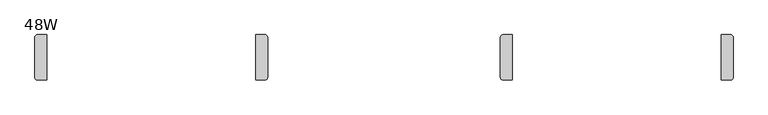
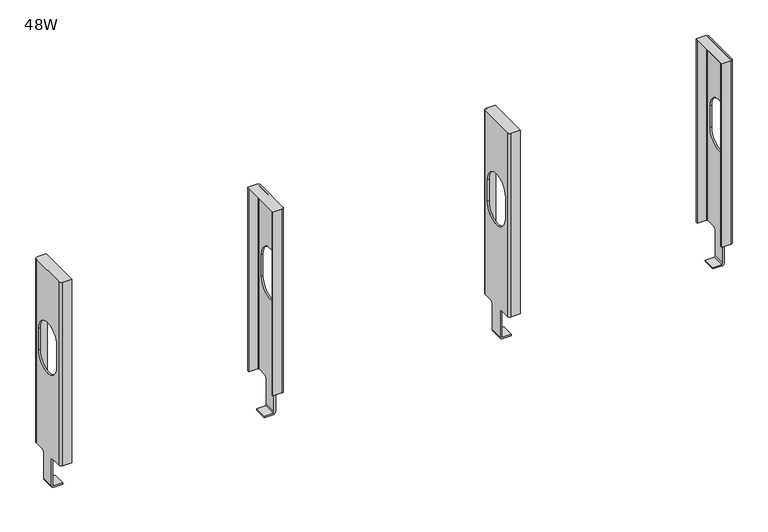
"""IFC4 building model written with IfcOpenShell, lengths in millimetres: furniture geometry, 48W."""

from ifc_helpers import new_model, si_unit, frame, origin, place, context, project, spatial, polyline, circle_curve, source, transform, mapped, element, save
from ifc_brep_helpers import plane_surface, cylinder_surface, revolved_surface, advanced_brep


def furniture_48w_77372cc6(model_context):
    return source(origin(), model_context, "Body", "AdvancedBrep", [
        advanced_brep(
        [(816.2293333, -27.8130007, 112.7505942), (816.2293333, -27.8130007, 110.2105966), (801.243334, -27.8130007, 110.2105966), (797.1793333, -27.8130007, 114.2746018), (797.1793333, -27.8130007, 160.9597973), (799.7193309, -27.8130007, 160.9597973), (799.7193309, -27.8130007, 114.2746018), (801.243334, -27.8130007, 112.7505942), (816.2293333, -49.6569981, 112.7505942), (801.243334, -49.6569981, 112.7505942), (799.7193309, -49.6569981, 114.2746018), (799.7193309, -49.6569981, 160.9597973), (797.1793333, -49.6569981, 160.9597973), (797.1793333, -49.6569981, 114.2746018), (801.243334, -49.6569981, 110.2105966), (816.2293333, -49.6569981, 110.2105966), (799.7193309, -24.7650014, 164.0077944), (799.7193309, -6.2864997, 164.0077944), (799.7193309, -6.2864985, 487.9473667), (799.7193309, -71.1835002, 487.9473667), (799.7193309, -71.1835002, 164.0077944), (799.7193309, -52.7049997, 164.0077944), (799.7193309, -64.1349979, 370.457309), (799.7193309, -13.3349998, 370.457309), (799.7193309, -13.3349998, 332.4494726), (799.7193309, -64.1349979, 332.4494726), (797.1793333, -52.7049997, 164.0077944), (797.1793333, -71.1835002, 164.0077944), (797.1793333, -71.1835002, 488.2388031), (797.1793333, -6.2864997, 488.2388031), (797.1793333, -6.2864985, 164.0077944), (797.1793333, -24.7650014, 164.0077944), (797.1793333, -64.1349979, 370.457309), (797.1793333, -64.1349979, 332.4494726), (797.1793333, -13.3349998, 332.4494726), (797.1793333, -13.3349998, 370.457309), (801.243334, -2.2224979, 164.0077944), (816.2293333, -2.2224979, 164.0077944), (816.2293333, -4.7624955, 164.0077944), (801.243334, -4.7624955, 164.0077944), (801.243334, -75.2475009, 488.2388031), (816.2293333, -75.2475009, 488.2388031), (816.2293333, -2.2224979, 488.2388031), (801.243334, -2.2224979, 488.2388031), (801.243334, -72.7075033, 164.0077944), (816.2293333, -72.7075033, 164.0077944), (816.2293333, -75.2475009, 164.0077944), (801.243334, -75.2475009, 164.0077944), (801.243334, -72.7075033, 487.9473667), (816.2293333, -72.7075033, 487.9473667), (816.2293333, -4.7624955, 487.9473667), (801.243334, -4.7624955, 487.9473667)],
        [
            (0, 1),
            (1, 2),
            (2, 3, circle_curve(frame((801.243334, -27.8130007, 114.2745973), z_axis=(0.0, 1.0, 0.0), x_axis=(1.0, 0.0, 0.0)), 4.0640007)),
            (3, 4),
            (4, 5),
            (5, 6),
            (6, 7),
            (7, 0),
            (8, 9),
            (9, 10),
            (10, 11),
            (11, 12),
            (12, 13),
            (13, 14, circle_curve(frame((801.243334, -49.6569981, 114.2745973), z_axis=(0.0, -1.0, 0.0), x_axis=(1.0, 0.0, 0.0)), 4.0640007)),
            (14, 15),
            (15, 8),
            (7, 9),
            (8, 0),
            (6, 10),
            (1, 15),
            (14, 2),
            (5, 16),
            (16, 17),
            (17, 18),
            (18, 19),
            (19, 20),
            (20, 21),
            (21, 11),
            (22, 23, circle_curve(frame((799.7193309, -38.7349988, 370.457309), z_axis=(-1.0, 0.0, 0.0), x_axis=(0.0, -1.0, 0.0)), 25.3999991)),
            (23, 24),
            (24, 25, circle_curve(frame((799.7193309, -38.7349988, 332.4494726), z_axis=(-1.0, 0.0, 0.0), x_axis=(0.0, -1.0, 0.0)), 25.3999991)),
            (25, 22),
            (12, 26),
            (26, 27),
            (27, 28),
            (28, 29),
            (29, 30),
            (30, 31),
            (31, 4),
            (3, 13),
            (32, 33),
            (33, 34, circle_curve(frame((797.1793333, -38.7349988, 332.4494726), z_axis=(1.0, 0.0, 0.0), x_axis=(0.0, -1.0, 0.0)), 25.3999991)),
            (34, 35),
            (35, 32, circle_curve(frame((797.1793333, -38.7349988, 370.457309), z_axis=(1.0, 0.0, 0.0), x_axis=(0.0, -1.0, 0.0)), 25.3999991)),
            (31, 16),
            (30, 36, circle_curve(frame((801.243334, -6.2864985, 164.0077944), z_axis=(0.0, 0.0, -1.0), x_axis=(1.0, 0.0, 0.0)), 4.0640007)),
            (36, 37),
            (37, 38),
            (38, 39),
            (39, 17),
            (28, 40, circle_curve(frame((801.243334, -71.1835002, 488.2388031), z_axis=(0.0, 0.0, 1.0), x_axis=(1.0, 0.0, 0.0)), 4.0640007)),
            (40, 41),
            (41, 42),
            (42, 43),
            (43, 29, circle_curve(frame((801.243334, -6.2864985, 488.2388031), z_axis=(0.0, 0.0, 1.0), x_axis=(1.0, 0.0, 0.0)), 4.0640007)),
            (20, 44),
            (44, 45),
            (45, 46),
            (46, 47),
            (47, 27, circle_curve(frame((801.243334, -71.1835002, 164.0077944), z_axis=(0.0, 0.0, -1.0), x_axis=(1.0, 0.0, 0.0)), 4.0640007)),
            (26, 21),
            (23, 35),
            (34, 24),
            (25, 33),
            (32, 22),
            (44, 48),
            (48, 49),
            (49, 45),
            (19, 48),
            (46, 41),
            (40, 47),
            (49, 50),
            (50, 38),
            (37, 42),
            (50, 51),
            (51, 39),
            (51, 18),
            (36, 43),
        ],
        [
            plane_surface(frame((801.243334, -27.8130007, 112.7505942), z_axis=(0.0, 1.0, 0.0), x_axis=(1.0, 0.0, 0.0))),
            plane_surface(frame((801.243334, -49.6569981, 112.7505942), z_axis=(0.0, -1.0, 0.0), x_axis=(-1.0, 0.0, 0.0))),
            plane_surface(frame((816.2293333, -49.6569981, 112.7505942), z_axis=(0.0, 0.0, 1.0), x_axis=(0.0, 1.0, 0.0))),
            plane_surface(frame((801.243334, -49.6569981, 112.7505942), z_axis=(0.7071078348532698, 0.0, 0.7071057275182553), x_axis=(0.0, 1.0, 0.0))),
            plane_surface(frame((801.243334, -49.6569981, 110.2105966), z_axis=(0.0, 0.0, -1.0), x_axis=(0.0, 1.0, 0.0))),
            plane_surface(frame((816.2293333, -49.6569981, 110.2105966), z_axis=(1.0, 0.0, 0.0), x_axis=(0.0, 1.0, 0.0))),
            plane_surface(frame((799.7193309, -27.8130007, 114.2746018), z_axis=(1.0, 0.0, 0.0), x_axis=(0.0, 1.0, 0.0))),
            plane_surface(frame((797.1793333, -27.8130007, 114.2746018), z_axis=(-1.0, 0.0, 0.0), x_axis=(0.0, -1.0, 0.0))),
            plane_surface(frame((799.7193309, -27.8130007, 160.9597973), z_axis=(0.0, 0.7071065177685422, -0.7071070446044547), x_axis=(-1.0, 0.0, 0.0))),
            plane_surface(frame((799.7193309, -24.7650014, 164.0077944), z_axis=(0.0, 0.0, -1.0), x_axis=(-1.0, 0.0, 0.0))),
            plane_surface(frame((799.7193309, -6.2864997, 488.2388031), z_axis=(0.0, 0.0, 1.0), x_axis=(-1.0, 0.0, 0.0))),
            plane_surface(frame((799.7193309, -71.1835002, 164.0077944), z_axis=(0.0, 0.0, -1.0), x_axis=(-1.0, 0.0, 0.0))),
            plane_surface(frame((799.7193309, -52.7049997, 164.0077944), z_axis=(0.0, -0.707106254350635, -0.7071073080220677), x_axis=(-1.0, 0.0, 0.0))),
            plane_surface(frame((799.7193309, -13.3349998, 370.457309), z_axis=(0.0, -1.0, 0.0), x_axis=(-1.0, 0.0, 0.0))),
            plane_surface(frame((799.7193309, -64.1349979, 332.4494726), z_axis=(0.0, 1.0, 0.0), x_axis=(-1.0, 0.0, 0.0))),
            plane_surface(frame((816.2293333, -72.7075033, 488.2388031), z_axis=(0.0, 1.0, 0.0), x_axis=(0.0, 0.0, -1.0))),
            plane_surface(frame((801.243334, -72.7075033, 488.2388031), z_axis=(0.7071067811865476, 0.7071067811865476, 0.0), x_axis=(0.0, 0.0, -1.0))),
            plane_surface(frame((801.243334, -75.2475009, 488.2388031), z_axis=(0.0, -1.0, 0.0), x_axis=(0.0, 0.0, -1.0))),
            plane_surface(frame((816.2293333, -75.2475009, 488.2388031), z_axis=(1.0, 0.0, 0.0), x_axis=(0.0, 0.0, -1.0))),
            plane_surface(frame((801.243334, -4.7624955, 488.2388031), z_axis=(0.0, -1.0, 0.0), x_axis=(0.0, 0.0, -1.0))),
            plane_surface(frame((799.7193309, -6.2864985, 488.2388031), z_axis=(0.7071067811865422, -0.7071067811865528, 0.0), x_axis=(0.0, 0.0, -1.0))),
            plane_surface(frame((816.2293333, -2.2224979, 488.2388031), z_axis=(0.0, 1.0, 0.0), x_axis=(0.0, 0.0, -1.0))),
            plane_surface(frame((816.2293333, -72.7075033, 487.9473667), z_axis=(0.0, 0.0, -1.0), x_axis=(-1.0, 0.0, 0.0))),
            cylinder_surface(frame((801.243334, -71.1835002, 164.0077944), z_axis=(0.0, 0.0, 1.0), x_axis=(1.0, 0.0, 0.0)), 4.0640007),
            cylinder_surface(frame((801.243334, -6.2864985, 164.0077944), z_axis=(0.0, 0.0, 1.0), x_axis=(1.0, 0.0, 0.0)), 4.0640007),
            revolved_surface(polyline([(797.1793333, -64.1349979, 370.457309), (799.7193309, -64.1349979, 370.457309)]), (797.1793333, -38.7349988, 370.457309), (-1.0, 0.0, 0.0)),
            revolved_surface(polyline([(797.1793333, -64.1349979, 332.4494726), (799.7193309, -64.1349979, 332.4494726)]), (797.1793333, -38.7349988, 332.4494726), (-1.0, 0.0, 0.0)),
            cylinder_surface(frame((801.243334, -27.8130007, 114.2745973), z_axis=(0.0, -1.0, 0.0), x_axis=(1.0, 0.0, 0.0)), 4.0640007),
        ],
        [
            (0, [[1, 2, 3, 4, 5, 6, 7, 8]]),
            (1, [[9, 10, 11, 12, 13, 14, 15, 16]]),
            (2, [[-8, 17, -9, 18]]),
            (3, [[-7, 19, -10, -17]]),
            (4, [[-2, 20, -15, 21]]),
            (5, [[-1, -18, -16, -20]]),
            (6, [[-6, 22, 23, 24, 25, 26, 27, 28, -11, -19], [29, 30, 31, 32]]),
            (7, [[-13, 33, 34, 35, 36, 37, 38, 39, -4, 40], [41, 42, 43, 44]]),
            (8, [[-22, -5, -39, 45]]),
            (9, [[-23, -45, -38, 46, 47, 48, 49, 50]]),
            (10, [[-36, 51, 52, 53, 54, 55]]),
            (11, [[-27, 56, 57, 58, 59, 60, -34, 61]]),
            (12, [[-28, -61, -33, -12]]),
            (13, [[-30, 62, -43, 63]]),
            (14, [[-32, 64, -41, 65]]),
            (15, [[-57, 66, 67, 68]]),
            (16, [[-56, -26, 69, -66]]),
            (17, [[-59, 70, -52, 71]]),
            (18, [[-58, -68, 72, 73, -48, 74, -53, -70]]),
            (19, [[-49, -73, 75, 76]]),
            (20, [[-50, -76, 77, -24]]),
            (21, [[-47, 78, -54, -74]]),
            (22, [[-72, -67, -69, -25, -77, -75]]),
            (23, [[-60, -71, -51, -35]]),
            (24, [[-46, -37, -55, -78]]),
            (25, [[-29, -65, -44, -62]]),
            (26, [[-31, -63, -42, -64]]),
            (27, [[-3, -21, -14, -40]]),
        ],
    ),
        advanced_brep(
        [(1152.7790014, -27.8130007, 112.7505942), (1167.7650008, -27.8130007, 112.7505942), (1169.2890039, -27.8130007, 114.2746018), (1169.2890039, -27.8130007, 160.9597973), (1171.8290014, -27.8130007, 160.9597973), (1171.8290014, -27.8130007, 114.2746018), (1167.7650008, -27.8130007, 110.2105966), (1152.7790014, -27.8130007, 110.2105966), (1152.7790014, -49.6569981, 112.7505942), (1152.7790014, -49.6569981, 110.2105966), (1167.7650008, -49.6569981, 110.2105966), (1171.8290014, -49.6569981, 114.2746018), (1171.8290014, -49.6569981, 160.9597973), (1169.2890039, -49.6569981, 160.9597973), (1169.2890039, -49.6569981, 114.2746018), (1167.7650008, -49.6569981, 112.7505942), (1169.2890039, -52.7049997, 164.0077944), (1169.2890039, -71.1835002, 164.0077944), (1169.2890039, -71.1835002, 487.9473667), (1169.2890039, -6.2864985, 487.9473667), (1169.2890039, -6.2864985, 164.0077944), (1169.2890039, -24.7650014, 164.0077944), (1169.2890039, -64.1349979, 370.457309), (1169.2890039, -64.1349979, 332.4494726), (1169.2890039, -13.3349998, 332.4494726), (1169.2890039, -13.3349998, 370.457309), (1171.8290014, -24.7650014, 164.0077944), (1171.8290014, -6.2864997, 164.0077944), (1171.8290014, -6.2864985, 488.2388031), (1171.8290014, -71.1835002, 488.2388031), (1171.8290014, -71.1835002, 164.0077944), (1171.8290014, -52.7049997, 164.0077944), (1171.8290014, -64.1349979, 370.457309), (1171.8290014, -13.3349998, 370.457309), (1171.8290014, -13.3349998, 332.4494726), (1171.8290014, -64.1349979, 332.4494726), (1167.7650008, -4.7624955, 164.0077944), (1152.7790014, -4.7624955, 164.0077944), (1152.7790014, -2.2224979, 164.0077944), (1167.7650008, -2.2224979, 164.0077944), (1167.7650008, -2.2224979, 488.2388031), (1152.7790014, -2.2224979, 488.2388031), (1152.7790014, -75.2475009, 488.2388031), (1167.7650008, -75.2475009, 488.2388031), (1167.7650008, -75.2475009, 164.0077944), (1152.7790014, -75.2475009, 164.0077944), (1152.7790014, -72.7075033, 164.0077944), (1167.7650008, -72.7075033, 164.0077944), (1152.7790014, -72.7075033, 487.9473667), (1167.7650008, -72.7075033, 487.9473667), (1152.7790014, -4.7624955, 487.9473667), (1167.7650008, -4.7624955, 487.9473667)],
        [
            (0, 1),
            (1, 2),
            (2, 3),
            (3, 4),
            (4, 5),
            (5, 6, circle_curve(frame((1167.7650008, -27.8130007, 114.2745973), z_axis=(0.0, 1.0, 0.0), x_axis=(-1.0, 0.0, 0.0)), 4.0640007)),
            (6, 7),
            (7, 0),
            (8, 9),
            (9, 10),
            (10, 11, circle_curve(frame((1167.7650008, -49.6569981, 114.2745973), z_axis=(0.0, -1.0, 0.0), x_axis=(-1.0, 0.0, 0.0)), 4.0640007)),
            (11, 12),
            (12, 13),
            (13, 14),
            (14, 15),
            (15, 8),
            (0, 8),
            (15, 1),
            (14, 2),
            (6, 10),
            (9, 7),
            (13, 16),
            (16, 17),
            (17, 18),
            (18, 19),
            (19, 20),
            (20, 21),
            (21, 3),
            (22, 23),
            (23, 24, circle_curve(frame((1169.2890039, -38.7349988, 332.4494726), z_axis=(1.0, 0.0, 0.0), x_axis=(0.0, -1.0, 0.0)), 25.3999991)),
            (24, 25),
            (25, 22, circle_curve(frame((1169.2890039, -38.7349988, 370.457309), z_axis=(1.0, 0.0, 0.0), x_axis=(0.0, -1.0, 0.0)), 25.3999991)),
            (11, 5),
            (4, 26),
            (26, 27),
            (27, 28),
            (28, 29),
            (29, 30),
            (30, 31),
            (31, 12),
            (32, 33, circle_curve(frame((1171.8290014, -38.7349988, 370.457309), z_axis=(-1.0, 0.0, 0.0), x_axis=(0.0, -1.0, 0.0)), 25.3999991)),
            (33, 34),
            (34, 35, circle_curve(frame((1171.8290014, -38.7349988, 332.4494726), z_axis=(-1.0, 0.0, 0.0), x_axis=(0.0, -1.0, 0.0)), 25.3999991)),
            (35, 32),
            (21, 26),
            (20, 36),
            (36, 37),
            (37, 38),
            (38, 39),
            (39, 27, circle_curve(frame((1167.7650008, -6.2864985, 164.0077944), z_axis=(0.0, 0.0, -1.0), x_axis=(-1.0, 0.0, 0.0)), 4.0640007)),
            (28, 40, circle_curve(frame((1167.7650008, -6.2864985, 488.2388031), z_axis=(0.0, 0.0, 1.0), x_axis=(-1.0, 0.0, 0.0)), 4.0640007)),
            (40, 41),
            (41, 42),
            (42, 43),
            (43, 29, circle_curve(frame((1167.7650008, -71.1835002, 488.2388031), z_axis=(0.0, 0.0, 1.0), x_axis=(-1.0, 0.0, 0.0)), 4.0640007)),
            (16, 31),
            (30, 44, circle_curve(frame((1167.7650008, -71.1835002, 164.0077944), z_axis=(0.0, 0.0, -1.0), x_axis=(-1.0, 0.0, 0.0)), 4.0640007)),
            (44, 45),
            (45, 46),
            (46, 47),
            (47, 17),
            (24, 34),
            (33, 25),
            (22, 32),
            (35, 23),
            (46, 48),
            (48, 49),
            (49, 47),
            (49, 18),
            (44, 43),
            (42, 45),
            (41, 38),
            (37, 50),
            (50, 48),
            (36, 51),
            (51, 50),
            (19, 51),
            (40, 39),
        ],
        [
            plane_surface(frame((1167.7650008, -27.8130007, 112.7505942), z_axis=(0.0, 1.0, 0.0), x_axis=(-1.0, 0.0, 0.0))),
            plane_surface(frame((1167.7650008, -49.6569981, 112.7505942), z_axis=(0.0, -1.0, 0.0), x_axis=(1.0, 0.0, 0.0))),
            plane_surface(frame((1152.7790014, -49.6569981, 112.7505942), z_axis=(0.0, 0.0, 1.0), x_axis=(0.0, 1.0, 0.0))),
            plane_surface(frame((1167.7650008, -49.6569981, 112.7505942), z_axis=(-0.7071078348532684, 0.0, 0.7071057275182566), x_axis=(0.0, 1.0, 0.0))),
            plane_surface(frame((1167.7650008, -49.6569981, 110.2105966), z_axis=(0.0, 0.0, -1.0), x_axis=(0.0, 1.0, 0.0))),
            plane_surface(frame((1152.7790014, -49.6569981, 110.2105966), z_axis=(-1.0, 0.0, 0.0), x_axis=(0.0, 1.0, 0.0))),
            plane_surface(frame((1169.2890039, -27.8130007, 114.2746018), z_axis=(-1.0, 0.0, 0.0), x_axis=(0.0, 1.0, 0.0))),
            plane_surface(frame((1171.8290014, -27.8130007, 114.2746018), z_axis=(1.0, 0.0, 0.0), x_axis=(0.0, -1.0, 0.0))),
            plane_surface(frame((1169.2890039, -27.8130007, 160.9597973), z_axis=(0.0, 0.7071065177685422, -0.7071070446044547), x_axis=(1.0, 0.0, 0.0))),
            plane_surface(frame((1169.2890039, -24.7650014, 164.0077944), z_axis=(0.0, 0.0, -1.0), x_axis=(1.0, 0.0, 0.0))),
            plane_surface(frame((1169.2890039, -6.2864997, 488.2388031), z_axis=(0.0, 0.0, 1.0), x_axis=(1.0, 0.0, 0.0))),
            plane_surface(frame((1169.2890039, -71.1835002, 164.0077944), z_axis=(0.0, 0.0, -1.0), x_axis=(1.0, 0.0, 0.0))),
            plane_surface(frame((1169.2890039, -52.7049997, 164.0077944), z_axis=(0.0, -0.707106254350635, -0.7071073080220677), x_axis=(1.0, 0.0, 0.0))),
            plane_surface(frame((1169.2890039, -13.3349998, 370.457309), z_axis=(0.0, -1.0, 0.0), x_axis=(1.0, 0.0, 0.0))),
            plane_surface(frame((1169.2890039, -64.1349979, 332.4494726), z_axis=(0.0, 1.0, 0.0), x_axis=(1.0, 0.0, 0.0))),
            plane_surface(frame((1152.7790014, -72.7075033, 488.2388031), z_axis=(0.0, 1.0, 0.0), x_axis=(0.0, 0.0, -1.0))),
            plane_surface(frame((1167.7650008, -72.7075033, 488.2388031), z_axis=(-0.7071067811865476, 0.7071067811865476, 0.0), x_axis=(0.0, 0.0, -1.0))),
            plane_surface(frame((1167.7650008, -75.2475009, 488.2388031), z_axis=(0.0, -1.0, 0.0), x_axis=(0.0, 0.0, -1.0))),
            plane_surface(frame((1152.7790014, -75.2475009, 488.2388031), z_axis=(-1.0, 0.0, 0.0), x_axis=(0.0, 0.0, -1.0))),
            plane_surface(frame((1167.7650008, -4.7624955, 488.2388031), z_axis=(0.0, -1.0, 0.0), x_axis=(0.0, 0.0, -1.0))),
            plane_surface(frame((1169.2890039, -6.2864985, 488.2388031), z_axis=(-0.7071067811865422, -0.7071067811865528, 0.0), x_axis=(0.0, 0.0, -1.0))),
            plane_surface(frame((1152.7790014, -2.2224979, 488.2388031), z_axis=(0.0, 1.0, 0.0), x_axis=(0.0, 0.0, -1.0))),
            plane_surface(frame((1152.7790014, -72.7075033, 487.9473667), z_axis=(0.0, 0.0, -1.0), x_axis=(1.0, 0.0, 0.0))),
            cylinder_surface(frame((1167.7650008, -71.1835002, 164.0077944), z_axis=(0.0, 0.0, 1.0), x_axis=(-1.0, 0.0, 0.0)), 4.0640007),
            cylinder_surface(frame((1167.7650008, -6.2864985, 164.0077944), z_axis=(0.0, 0.0, 1.0), x_axis=(-1.0, 0.0, 0.0)), 4.0640007),
            revolved_surface(polyline([(1171.8290014, -64.1349979, 370.457309), (1169.2890039, -64.1349979, 370.457309)]), (1171.8290014, -38.7349988, 370.457309), (1.0, 0.0, 0.0)),
            revolved_surface(polyline([(1171.8290014, -64.1349979, 332.4494726), (1169.2890039, -64.1349979, 332.4494726)]), (1171.8290014, -38.7349988, 332.4494726), (1.0, 0.0, 0.0)),
            cylinder_surface(frame((1167.7650008, -27.8130007, 114.2745973), z_axis=(0.0, -1.0, 0.0), x_axis=(-1.0, 0.0, 0.0)), 4.0640007),
        ],
        [
            (0, [[1, 2, 3, 4, 5, 6, 7, 8]]),
            (1, [[9, 10, 11, 12, 13, 14, 15, 16]]),
            (2, [[17, -16, 18, -1]]),
            (3, [[-18, -15, 19, -2]]),
            (4, [[20, -10, 21, -7]]),
            (5, [[-21, -9, -17, -8]]),
            (6, [[-19, -14, 22, 23, 24, 25, 26, 27, 28, -3], [29, 30, 31, 32]]),
            (7, [[33, -5, 34, 35, 36, 37, 38, 39, 40, -12], [41, 42, 43, 44]]),
            (8, [[45, -34, -4, -28]]),
            (9, [[46, 47, 48, 49, 50, -35, -45, -27]]),
            (10, [[51, 52, 53, 54, 55, -37]]),
            (11, [[56, -39, 57, 58, 59, 60, 61, -23]]),
            (12, [[-13, -40, -56, -22]]),
            (13, [[62, -42, 63, -31]]),
            (14, [[64, -44, 65, -29]]),
            (15, [[66, 67, 68, -60]]),
            (16, [[-68, 69, -24, -61]]),
            (17, [[70, -54, 71, -58]]),
            (18, [[-71, -53, 72, -48, 73, 74, -66, -59]]),
            (19, [[75, 76, -73, -47]]),
            (20, [[-26, 77, -75, -46]]),
            (21, [[-72, -52, 78, -49]]),
            (22, [[-76, -77, -25, -69, -67, -74]]),
            (23, [[-38, -55, -70, -57]]),
            (24, [[-78, -51, -36, -50]]),
            (25, [[-63, -41, -64, -32]]),
            (26, [[-65, -43, -62, -30]]),
            (27, [[-33, -11, -20, -6]]),
        ],
    ),
        advanced_brep(
        [(402.9713333, -27.8130007, 112.7505942), (417.9573326, -27.8130007, 112.7505942), (419.4813357, -27.8130007, 114.2746018), (419.4813357, -27.8130007, 160.9597973), (422.0213333, -27.8130007, 160.9597973), (422.0213333, -27.8130007, 114.2746018), (417.9573326, -27.8130007, 110.2105966), (402.9713333, -27.8130007, 110.2105966), (402.9713333, -49.6569981, 112.7505942), (402.9713333, -49.6569981, 110.2105966), (417.9573326, -49.6569981, 110.2105966), (422.0213333, -49.6569981, 114.2746018), (422.0213333, -49.6569981, 160.9597973), (419.4813357, -49.6569981, 160.9597973), (419.4813357, -49.6569981, 114.2746018), (417.9573326, -49.6569981, 112.7505942), (419.4813357, -52.7049997, 164.0077944), (419.4813357, -71.1835002, 164.0077944), (419.4813357, -71.1835002, 487.9473667), (419.4813357, -6.2864985, 487.9473667), (419.4813357, -6.2864985, 164.0077944), (419.4813357, -24.7650014, 164.0077944), (419.4813357, -64.1349979, 370.457309), (419.4813357, -64.1349979, 332.4494726), (419.4813357, -13.3349998, 332.4494726), (419.4813357, -13.3349998, 370.457309), (422.0213333, -24.7650014, 164.0077944), (422.0213333, -6.2864997, 164.0077944), (422.0213333, -6.2864985, 488.2388031), (422.0213333, -71.1835002, 488.2388031), (422.0213333, -71.1835002, 164.0077944), (422.0213333, -52.7049997, 164.0077944), (422.0213333, -64.1349979, 370.457309), (422.0213333, -13.3349998, 370.457309), (422.0213333, -13.3349998, 332.4494726), (422.0213333, -64.1349979, 332.4494726), (417.9573326, -4.7624955, 164.0077944), (402.9713333, -4.7624955, 164.0077944), (402.9713333, -2.2224979, 164.0077944), (417.9573326, -2.2224979, 164.0077944), (417.9573326, -2.2224979, 488.2388031), (402.9713333, -2.2224979, 488.2388031), (402.9713333, -75.2475009, 488.2388031), (417.9573326, -75.2475009, 488.2388031), (417.9573326, -75.2475009, 164.0077944), (402.9713333, -75.2475009, 164.0077944), (402.9713333, -72.7075033, 164.0077944), (417.9573326, -72.7075033, 164.0077944), (402.9713333, -72.7075033, 487.9473667), (417.9573326, -72.7075033, 487.9473667), (402.9713333, -4.7624955, 487.9473667), (417.9573326, -4.7624955, 487.9473667)],
        [
            (0, 1),
            (1, 2),
            (2, 3),
            (3, 4),
            (4, 5),
            (5, 6, circle_curve(frame((417.9573326, -27.8130007, 114.2745973), z_axis=(0.0, 1.0, 0.0), x_axis=(-1.0, 0.0, 0.0)), 4.0640007)),
            (6, 7),
            (7, 0),
            (8, 9),
            (9, 10),
            (10, 11, circle_curve(frame((417.9573326, -49.6569981, 114.2745973), z_axis=(0.0, -1.0, 0.0), x_axis=(-1.0, 0.0, 0.0)), 4.0640007)),
            (11, 12),
            (12, 13),
            (13, 14),
            (14, 15),
            (15, 8),
            (0, 8),
            (15, 1),
            (14, 2),
            (6, 10),
            (9, 7),
            (13, 16),
            (16, 17),
            (17, 18),
            (18, 19),
            (19, 20),
            (20, 21),
            (21, 3),
            (22, 23),
            (23, 24, circle_curve(frame((419.4813357, -38.7349988, 332.4494726), z_axis=(1.0, 0.0, 0.0), x_axis=(0.0, -1.0, 0.0)), 25.3999991)),
            (24, 25),
            (25, 22, circle_curve(frame((419.4813357, -38.7349988, 370.457309), z_axis=(1.0, 0.0, 0.0), x_axis=(0.0, -1.0, 0.0)), 25.3999991)),
            (11, 5),
            (4, 26),
            (26, 27),
            (27, 28),
            (28, 29),
            (29, 30),
            (30, 31),
            (31, 12),
            (32, 33, circle_curve(frame((422.0213333, -38.7349988, 370.457309), z_axis=(-1.0, 0.0, 0.0), x_axis=(0.0, -1.0, 0.0)), 25.3999991)),
            (33, 34),
            (34, 35, circle_curve(frame((422.0213333, -38.7349988, 332.4494726), z_axis=(-1.0, 0.0, 0.0), x_axis=(0.0, -1.0, 0.0)), 25.3999991)),
            (35, 32),
            (21, 26),
            (20, 36),
            (36, 37),
            (37, 38),
            (38, 39),
            (39, 27, circle_curve(frame((417.9573326, -6.2864985, 164.0077944), z_axis=(0.0, 0.0, -1.0), x_axis=(-1.0, 0.0, 0.0)), 4.0640007)),
            (28, 40, circle_curve(frame((417.9573326, -6.2864985, 488.2388031), z_axis=(0.0, 0.0, 1.0), x_axis=(-1.0, 0.0, 0.0)), 4.0640007)),
            (40, 41),
            (41, 42),
            (42, 43),
            (43, 29, circle_curve(frame((417.9573326, -71.1835002, 488.2388031), z_axis=(0.0, 0.0, 1.0), x_axis=(-1.0, 0.0, 0.0)), 4.0640007)),
            (16, 31),
            (30, 44, circle_curve(frame((417.9573326, -71.1835002, 164.0077944), z_axis=(0.0, 0.0, -1.0), x_axis=(-1.0, 0.0, 0.0)), 4.0640007)),
            (44, 45),
            (45, 46),
            (46, 47),
            (47, 17),
            (24, 34),
            (33, 25),
            (22, 32),
            (35, 23),
            (46, 48),
            (48, 49),
            (49, 47),
            (49, 18),
            (44, 43),
            (42, 45),
            (41, 38),
            (37, 50),
            (50, 48),
            (36, 51),
            (51, 50),
            (19, 51),
            (40, 39),
        ],
        [
            plane_surface(frame((417.9573326, -27.8130007, 112.7505942), z_axis=(0.0, 1.0, 0.0), x_axis=(-1.0, 0.0, 0.0))),
            plane_surface(frame((417.9573326, -49.6569981, 112.7505942), z_axis=(0.0, -1.0, 0.0), x_axis=(1.0, 0.0, 0.0))),
            plane_surface(frame((402.9713333, -49.6569981, 112.7505942), z_axis=(0.0, 0.0, 1.0), x_axis=(0.0, 1.0, 0.0))),
            plane_surface(frame((417.9573326, -49.6569981, 112.7505942), z_axis=(-0.7071078348532684, 0.0, 0.7071057275182566), x_axis=(0.0, 1.0, 0.0))),
            plane_surface(frame((417.9573326, -49.6569981, 110.2105966), z_axis=(0.0, 0.0, -1.0), x_axis=(0.0, 1.0, 0.0))),
            plane_surface(frame((402.9713333, -49.6569981, 110.2105966), z_axis=(-1.0, 0.0, 0.0), x_axis=(0.0, 1.0, 0.0))),
            plane_surface(frame((419.4813357, -27.8130007, 114.2746018), z_axis=(-1.0, 0.0, 0.0), x_axis=(0.0, 1.0, 0.0))),
            plane_surface(frame((422.0213333, -27.8130007, 114.2746018), z_axis=(1.0, 0.0, 0.0), x_axis=(0.0, -1.0, 0.0))),
            plane_surface(frame((419.4813357, -27.8130007, 160.9597973), z_axis=(0.0, 0.7071065177685422, -0.7071070446044547), x_axis=(1.0, 0.0, 0.0))),
            plane_surface(frame((419.4813357, -24.7650014, 164.0077944), z_axis=(0.0, 0.0, -1.0), x_axis=(1.0, 0.0, 0.0))),
            plane_surface(frame((419.4813357, -6.2864997, 488.2388031), z_axis=(0.0, 0.0, 1.0), x_axis=(1.0, 0.0, 0.0))),
            plane_surface(frame((419.4813357, -71.1835002, 164.0077944), z_axis=(0.0, 0.0, -1.0), x_axis=(1.0, 0.0, 0.0))),
            plane_surface(frame((419.4813357, -52.7049997, 164.0077944), z_axis=(0.0, -0.707106254350635, -0.7071073080220677), x_axis=(1.0, 0.0, 0.0))),
            plane_surface(frame((419.4813357, -13.3349998, 370.457309), z_axis=(0.0, -1.0, 0.0), x_axis=(1.0, 0.0, 0.0))),
            plane_surface(frame((419.4813357, -64.1349979, 332.4494726), z_axis=(0.0, 1.0, 0.0), x_axis=(1.0, 0.0, 0.0))),
            plane_surface(frame((402.9713333, -72.7075033, 488.2388031), z_axis=(0.0, 1.0, 0.0), x_axis=(0.0, 0.0, -1.0))),
            plane_surface(frame((417.9573326, -72.7075033, 488.2388031), z_axis=(-0.7071067811865476, 0.7071067811865476, 0.0), x_axis=(0.0, 0.0, -1.0))),
            plane_surface(frame((417.9573326, -75.2475009, 488.2388031), z_axis=(0.0, -1.0, 0.0), x_axis=(0.0, 0.0, -1.0))),
            plane_surface(frame((402.9713333, -75.2475009, 488.2388031), z_axis=(-1.0, 0.0, 0.0), x_axis=(0.0, 0.0, -1.0))),
            plane_surface(frame((417.9573326, -4.7624955, 488.2388031), z_axis=(0.0, -1.0, 0.0), x_axis=(0.0, 0.0, -1.0))),
            plane_surface(frame((419.4813357, -6.2864985, 488.2388031), z_axis=(-0.7071067811865422, -0.7071067811865528, 0.0), x_axis=(0.0, 0.0, -1.0))),
            plane_surface(frame((402.9713333, -2.2224979, 488.2388031), z_axis=(0.0, 1.0, 0.0), x_axis=(0.0, 0.0, -1.0))),
            plane_surface(frame((402.9713333, -72.7075033, 487.9473667), z_axis=(0.0, 0.0, -1.0), x_axis=(1.0, 0.0, 0.0))),
            cylinder_surface(frame((417.9573326, -71.1835002, 164.0077944), z_axis=(0.0, 0.0, 1.0), x_axis=(-1.0, 0.0, 0.0)), 4.0640007),
            cylinder_surface(frame((417.9573326, -6.2864985, 164.0077944), z_axis=(0.0, 0.0, 1.0), x_axis=(-1.0, 0.0, 0.0)), 4.0640007),
            revolved_surface(polyline([(422.0213333, -64.1349979, 370.457309), (419.4813357, -64.1349979, 370.457309)]), (422.0213333, -38.7349988, 370.457309), (1.0, 0.0, 0.0)),
            revolved_surface(polyline([(422.0213333, -64.1349979, 332.4494726), (419.4813357, -64.1349979, 332.4494726)]), (422.0213333, -38.7349988, 332.4494726), (1.0, 0.0, 0.0)),
            cylinder_surface(frame((417.9573326, -27.8130007, 114.2745973), z_axis=(0.0, -1.0, 0.0), x_axis=(-1.0, 0.0, 0.0)), 4.0640007),
        ],
        [
            (0, [[1, 2, 3, 4, 5, 6, 7, 8]]),
            (1, [[9, 10, 11, 12, 13, 14, 15, 16]]),
            (2, [[17, -16, 18, -1]]),
            (3, [[-18, -15, 19, -2]]),
            (4, [[20, -10, 21, -7]]),
            (5, [[-21, -9, -17, -8]]),
            (6, [[-19, -14, 22, 23, 24, 25, 26, 27, 28, -3], [29, 30, 31, 32]]),
            (7, [[33, -5, 34, 35, 36, 37, 38, 39, 40, -12], [41, 42, 43, 44]]),
            (8, [[45, -34, -4, -28]]),
            (9, [[46, 47, 48, 49, 50, -35, -45, -27]]),
            (10, [[51, 52, 53, 54, 55, -37]]),
            (11, [[56, -39, 57, 58, 59, 60, 61, -23]]),
            (12, [[-13, -40, -56, -22]]),
            (13, [[62, -42, 63, -31]]),
            (14, [[64, -44, 65, -29]]),
            (15, [[66, 67, 68, -60]]),
            (16, [[-68, 69, -24, -61]]),
            (17, [[70, -54, 71, -58]]),
            (18, [[-71, -53, 72, -48, 73, 74, -66, -59]]),
            (19, [[75, 76, -73, -47]]),
            (20, [[-26, 77, -75, -46]]),
            (21, [[-72, -52, 78, -49]]),
            (22, [[-76, -77, -25, -69, -67, -74]]),
            (23, [[-38, -55, -70, -57]]),
            (24, [[-78, -51, -36, -50]]),
            (25, [[-63, -41, -64, -32]]),
            (26, [[-65, -43, -62, -30]]),
            (27, [[-33, -11, -20, -6]]),
        ],
    ),
        advanced_brep(
        [(66.4210002, -27.8130007, 112.7505942), (66.4210002, -27.8130007, 110.2105966), (51.4350009, -27.8130007, 110.2105966), (47.3710002, -27.8130007, 114.2746018), (47.3710002, -27.8130007, 160.9597973), (49.9109978, -27.8130007, 160.9597973), (49.9109978, -27.8130007, 114.2746018), (51.4350009, -27.8130007, 112.7505942), (66.4210002, -49.6569981, 112.7505942), (51.4350009, -49.6569981, 112.7505942), (49.9109978, -49.6569981, 114.2746018), (49.9109978, -49.6569981, 160.9597973), (47.3710002, -49.6569981, 160.9597973), (47.3710002, -49.6569981, 114.2746018), (51.4350009, -49.6569981, 110.2105966), (66.4210002, -49.6569981, 110.2105966), (49.9109978, -24.7650014, 164.0077944), (49.9109978, -6.2864997, 164.0077944), (49.9109978, -6.2864985, 487.9473667), (49.9109978, -71.1835002, 487.9473667), (49.9109978, -71.1835002, 164.0077944), (49.9109978, -52.7049997, 164.0077944), (49.9109978, -64.1349979, 370.457309), (49.9109978, -13.3349998, 370.457309), (49.9109978, -13.3349998, 332.4494726), (49.9109978, -64.1349979, 332.4494726), (47.3710002, -52.7049997, 164.0077944), (47.3710002, -71.1835002, 164.0077944), (47.3710002, -71.1835002, 488.2388031), (47.3710002, -6.2864997, 488.2388031), (47.3710002, -6.2864985, 164.0077944), (47.3710002, -24.7650014, 164.0077944), (47.3710002, -64.1349979, 370.457309), (47.3710002, -64.1349979, 332.4494726), (47.3710002, -13.3349998, 332.4494726), (47.3710002, -13.3349998, 370.457309), (51.4350009, -2.2224979, 164.0077944), (66.4210002, -2.2224979, 164.0077944), (66.4210002, -4.7624955, 164.0077944), (51.4350009, -4.7624955, 164.0077944), (51.4350009, -75.2475009, 488.2388031), (66.4210002, -75.2475009, 488.2388031), (66.4210002, -2.2224979, 488.2388031), (51.4350009, -2.2224979, 488.2388031), (51.4350009, -72.7075033, 164.0077944), (66.4210002, -72.7075033, 164.0077944), (66.4210002, -75.2475009, 164.0077944), (51.4350009, -75.2475009, 164.0077944), (51.4350009, -72.7075033, 487.9473667), (66.4210002, -72.7075033, 487.9473667), (66.4210002, -4.7624955, 487.9473667), (51.4350009, -4.7624955, 487.9473667)],
        [
            (0, 1),
            (1, 2),
            (2, 3, circle_curve(frame((51.4350009, -27.8130007, 114.2745973), z_axis=(0.0, 1.0, 0.0), x_axis=(1.0, 0.0, 0.0)), 4.0640007)),
            (3, 4),
            (4, 5),
            (5, 6),
            (6, 7),
            (7, 0),
            (8, 9),
            (9, 10),
            (10, 11),
            (11, 12),
            (12, 13),
            (13, 14, circle_curve(frame((51.4350009, -49.6569981, 114.2745973), z_axis=(0.0, -1.0, 0.0), x_axis=(1.0, 0.0, 0.0)), 4.0640007)),
            (14, 15),
            (15, 8),
            (7, 9),
            (8, 0),
            (6, 10),
            (1, 15),
            (14, 2),
            (5, 16),
            (16, 17),
            (17, 18),
            (18, 19),
            (19, 20),
            (20, 21),
            (21, 11),
            (22, 23, circle_curve(frame((49.9109978, -38.7349988, 370.457309), z_axis=(-1.0, 0.0, 0.0), x_axis=(0.0, -1.0, 0.0)), 25.3999991)),
            (23, 24),
            (24, 25, circle_curve(frame((49.9109978, -38.7349988, 332.4494726), z_axis=(-1.0, 0.0, 0.0), x_axis=(0.0, -1.0, 0.0)), 25.3999991)),
            (25, 22),
            (12, 26),
            (26, 27),
            (27, 28),
            (28, 29),
            (29, 30),
            (30, 31),
            (31, 4),
            (3, 13),
            (32, 33),
            (33, 34, circle_curve(frame((47.3710002, -38.7349988, 332.4494726), z_axis=(1.0, 0.0, 0.0), x_axis=(0.0, -1.0, 0.0)), 25.3999991)),
            (34, 35),
            (35, 32, circle_curve(frame((47.3710002, -38.7349988, 370.457309), z_axis=(1.0, 0.0, 0.0), x_axis=(0.0, -1.0, 0.0)), 25.3999991)),
            (31, 16),
            (30, 36, circle_curve(frame((51.4350009, -6.2864985, 164.0077944), z_axis=(0.0, 0.0, -1.0), x_axis=(1.0, 0.0, 0.0)), 4.0640007)),
            (36, 37),
            (37, 38),
            (38, 39),
            (39, 17),
            (28, 40, circle_curve(frame((51.4350009, -71.1835002, 488.2388031), z_axis=(0.0, 0.0, 1.0), x_axis=(1.0, 0.0, 0.0)), 4.0640007)),
            (40, 41),
            (41, 42),
            (42, 43),
            (43, 29, circle_curve(frame((51.4350009, -6.2864985, 488.2388031), z_axis=(0.0, 0.0, 1.0), x_axis=(1.0, 0.0, 0.0)), 4.0640007)),
            (20, 44),
            (44, 45),
            (45, 46),
            (46, 47),
            (47, 27, circle_curve(frame((51.4350009, -71.1835002, 164.0077944), z_axis=(0.0, 0.0, -1.0), x_axis=(1.0, 0.0, 0.0)), 4.0640007)),
            (26, 21),
            (23, 35),
            (34, 24),
            (25, 33),
            (32, 22),
            (44, 48),
            (48, 49),
            (49, 45),
            (19, 48),
            (46, 41),
            (40, 47),
            (49, 50),
            (50, 38),
            (37, 42),
            (50, 51),
            (51, 39),
            (51, 18),
            (36, 43),
        ],
        [
            plane_surface(frame((51.4350009, -27.8130007, 112.7505942), z_axis=(0.0, 1.0, 0.0), x_axis=(1.0, 0.0, 0.0))),
            plane_surface(frame((51.4350009, -49.6569981, 112.7505942), z_axis=(0.0, -1.0, 0.0), x_axis=(-1.0, 0.0, 0.0))),
            plane_surface(frame((66.4210002, -49.6569981, 112.7505942), z_axis=(0.0, 0.0, 1.0), x_axis=(0.0, 1.0, 0.0))),
            plane_surface(frame((51.4350009, -49.6569981, 112.7505942), z_axis=(0.7071078348532698, 0.0, 0.7071057275182553), x_axis=(0.0, 1.0, 0.0))),
            plane_surface(frame((51.4350009, -49.6569981, 110.2105966), z_axis=(0.0, 0.0, -1.0), x_axis=(0.0, 1.0, 0.0))),
            plane_surface(frame((66.4210002, -49.6569981, 110.2105966), z_axis=(1.0, 0.0, 0.0), x_axis=(0.0, 1.0, 0.0))),
            plane_surface(frame((49.9109978, -27.8130007, 114.2746018), z_axis=(1.0, 0.0, 0.0), x_axis=(0.0, 1.0, 0.0))),
            plane_surface(frame((47.3710002, -27.8130007, 114.2746018), z_axis=(-1.0, 0.0, 0.0), x_axis=(0.0, -1.0, 0.0))),
            plane_surface(frame((49.9109978, -27.8130007, 160.9597973), z_axis=(0.0, 0.7071065177685422, -0.7071070446044547), x_axis=(-1.0, 0.0, 0.0))),
            plane_surface(frame((49.9109978, -24.7650014, 164.0077944), z_axis=(0.0, 0.0, -1.0), x_axis=(-1.0, 0.0, 0.0))),
            plane_surface(frame((49.9109978, -6.2864997, 488.2388031), z_axis=(0.0, 0.0, 1.0), x_axis=(-1.0, 0.0, 0.0))),
            plane_surface(frame((49.9109978, -71.1835002, 164.0077944), z_axis=(0.0, 0.0, -1.0), x_axis=(-1.0, 0.0, 0.0))),
            plane_surface(frame((49.9109978, -52.7049997, 164.0077944), z_axis=(0.0, -0.707106254350635, -0.7071073080220677), x_axis=(-1.0, 0.0, 0.0))),
            plane_surface(frame((49.9109978, -13.3349998, 370.457309), z_axis=(0.0, -1.0, 0.0), x_axis=(-1.0, 0.0, 0.0))),
            plane_surface(frame((49.9109978, -64.1349979, 332.4494726), z_axis=(0.0, 1.0, 0.0), x_axis=(-1.0, 0.0, 0.0))),
            plane_surface(frame((66.4210002, -72.7075033, 488.2388031), z_axis=(0.0, 1.0, 0.0), x_axis=(0.0, 0.0, -1.0))),
            plane_surface(frame((51.4350009, -72.7075033, 488.2388031), z_axis=(0.7071067811865476, 0.7071067811865476, 0.0), x_axis=(0.0, 0.0, -1.0))),
            plane_surface(frame((51.4350009, -75.2475009, 488.2388031), z_axis=(0.0, -1.0, 0.0), x_axis=(0.0, 0.0, -1.0))),
            plane_surface(frame((66.4210002, -75.2475009, 488.2388031), z_axis=(1.0, 0.0, 0.0), x_axis=(0.0, 0.0, -1.0))),
            plane_surface(frame((51.4350009, -4.7624955, 488.2388031), z_axis=(0.0, -1.0, 0.0), x_axis=(0.0, 0.0, -1.0))),
            plane_surface(frame((49.9109978, -6.2864985, 488.2388031), z_axis=(0.7071067811865422, -0.7071067811865528, 0.0), x_axis=(0.0, 0.0, -1.0))),
            plane_surface(frame((66.4210002, -2.2224979, 488.2388031), z_axis=(0.0, 1.0, 0.0), x_axis=(0.0, 0.0, -1.0))),
            plane_surface(frame((66.4210002, -72.7075033, 487.9473667), z_axis=(0.0, 0.0, -1.0), x_axis=(-1.0, 0.0, 0.0))),
            cylinder_surface(frame((51.4350009, -71.1835002, 164.0077944), z_axis=(0.0, 0.0, 1.0), x_axis=(1.0, 0.0, 0.0)), 4.0640007),
            cylinder_surface(frame((51.4350009, -6.2864985, 164.0077944), z_axis=(0.0, 0.0, 1.0), x_axis=(1.0, 0.0, 0.0)), 4.0640007),
            revolved_surface(polyline([(47.3710002, -64.1349979, 370.457309), (49.9109978, -64.1349979, 370.457309)]), (47.3710002, -38.7349988, 370.457309), (-1.0, 0.0, 0.0)),
            revolved_surface(polyline([(47.3710002, -64.1349979, 332.4494726), (49.9109978, -64.1349979, 332.4494726)]), (47.3710002, -38.7349988, 332.4494726), (-1.0, 0.0, 0.0)),
            cylinder_surface(frame((51.4350009, -27.8130007, 114.2745973), z_axis=(0.0, -1.0, 0.0), x_axis=(1.0, 0.0, 0.0)), 4.0640007),
        ],
        [
            (0, [[1, 2, 3, 4, 5, 6, 7, 8]]),
            (1, [[9, 10, 11, 12, 13, 14, 15, 16]]),
            (2, [[-8, 17, -9, 18]]),
            (3, [[-7, 19, -10, -17]]),
            (4, [[-2, 20, -15, 21]]),
            (5, [[-1, -18, -16, -20]]),
            (6, [[-6, 22, 23, 24, 25, 26, 27, 28, -11, -19], [29, 30, 31, 32]]),
            (7, [[-13, 33, 34, 35, 36, 37, 38, 39, -4, 40], [41, 42, 43, 44]]),
            (8, [[-22, -5, -39, 45]]),
            (9, [[-23, -45, -38, 46, 47, 48, 49, 50]]),
            (10, [[-36, 51, 52, 53, 54, 55]]),
            (11, [[-27, 56, 57, 58, 59, 60, -34, 61]]),
            (12, [[-28, -61, -33, -12]]),
            (13, [[-30, 62, -43, 63]]),
            (14, [[-32, 64, -41, 65]]),
            (15, [[-57, 66, 67, 68]]),
            (16, [[-56, -26, 69, -66]]),
            (17, [[-59, 70, -52, 71]]),
            (18, [[-58, -68, 72, 73, -48, 74, -53, -70]]),
            (19, [[-49, -73, 75, 76]]),
            (20, [[-50, -76, 77, -24]]),
            (21, [[-47, 78, -54, -74]]),
            (22, [[-72, -67, -69, -25, -77, -75]]),
            (23, [[-60, -71, -51, -35]]),
            (24, [[-46, -37, -55, -78]]),
            (25, [[-29, -65, -44, -62]]),
            (26, [[-31, -63, -42, -64]]),
            (27, [[-3, -21, -14, -40]]),
        ],
    ),
    ])


if __name__ == "__main__":
    model = new_model("IFC4")
    model_context = context("Model", 3, world=origin())
    ifc_project = project(units=[si_unit("LENGTHUNIT", "METRE", prefix="MILLI")], contexts=[model_context])
    site = spatial("IfcSite", under=ifc_project)
    building = spatial("IfcBuilding", under=site)
    placement = place(None, origin())
    furniture_48w_shape = furniture_48w_77372cc6(model_context)
    element("IfcFurniture", 1, ObjectType="48W", at=placement, inside=building, context=model_context, shape_type="MappedRepresentation", body=[
        mapped(furniture_48w_shape, transform((0.0, 0.0, 0.0), x_axis=(1.0, 0.0, 0.0), y_axis=(0.0, 1.0, 0.0), z_axis=(0.0, 0.0, 1.0))),
    ])
    save(model, "model.ifc")
